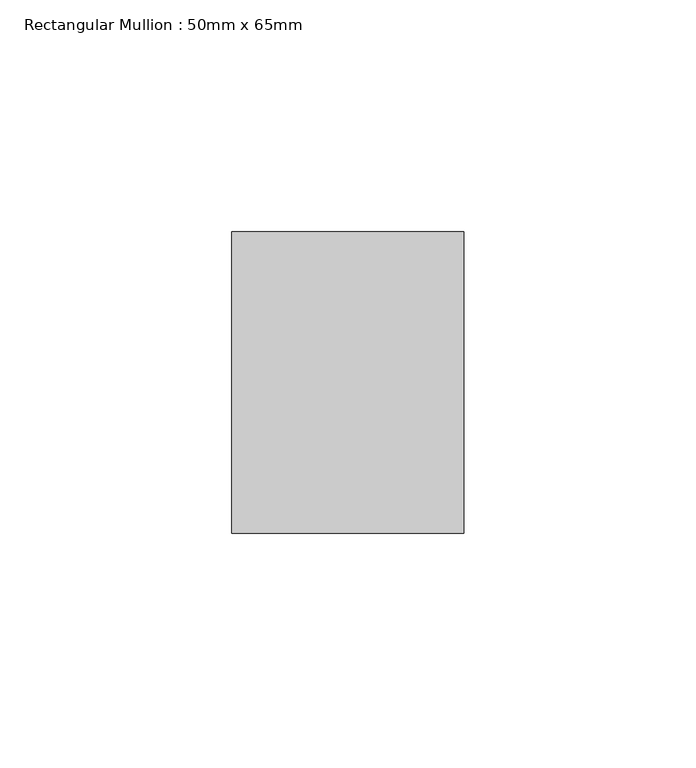
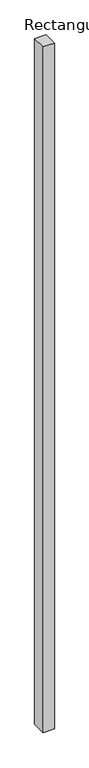
"""IFC4 building model written with IfcOpenShell, lengths in millimetres: member geometry, Rectangular Mullion : 50mm x 65mm."""

from ifc_helpers import new_model, si_unit, frame, origin, place, context, project, spatial, polyline, outline, extrude, source, transform, mapped, element, save


def rectangular_mullion_50mm_x_65mm_8dff9445(model_context):
    return source(origin(), model_context, "Body", "SweptSolid", [
        extrude(outline(polyline([(25.0, 32.5), (25.0, -32.5), (-25.0, -32.5), (-25.0, 32.5), (25.0, 32.5)])), frame((0.0, 0.0, -3235.2670132), z_axis=(0.0, 0.0, 1.0), x_axis=(1.0, 0.0, 0.0)), (0.0, 0.0, 1.0), 3235.2670132),
    ])


if __name__ == "__main__":
    model = new_model("IFC4")
    model_context = context("Model", 3, world=origin())
    ifc_project = project(units=[si_unit("LENGTHUNIT", "METRE", prefix="MILLI")], contexts=[model_context])
    site = spatial("IfcSite", under=ifc_project)
    building = spatial("IfcBuilding", under=site)
    placement = place(None, origin())
    rectangular_mullion_50mm_x_65mm_shape = rectangular_mullion_50mm_x_65mm_8dff9445(model_context)
    element("IfcMember", 1, ObjectType="Rectangular Mullion : 50mm x 65mm", at=placement, inside=building, context=model_context, shape_type="MappedRepresentation", body=[
        mapped(rectangular_mullion_50mm_x_65mm_shape, transform((0.0, 0.0, 0.0), x_axis=(1.0, 0.0, 0.0), y_axis=(0.0, 1.0, 0.0), z_axis=(0.0, 0.0, 1.0))),
    ])
    save(model, "model.ifc")
